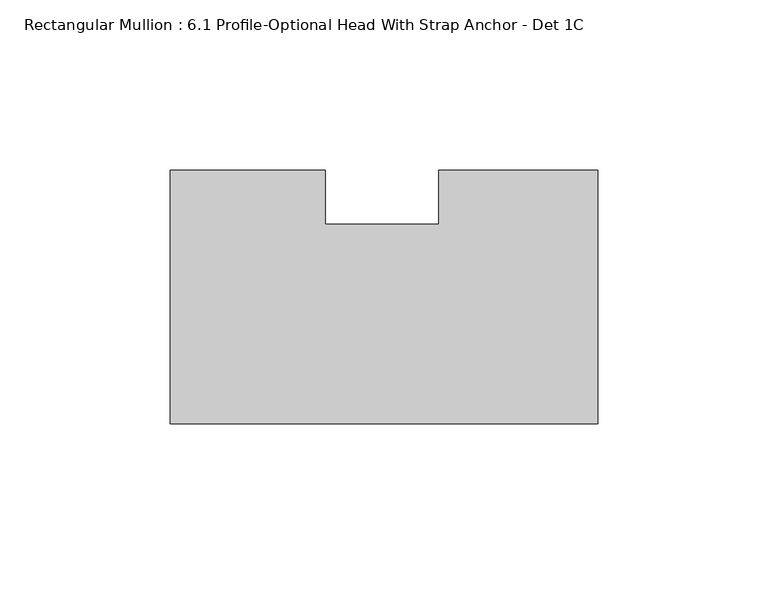
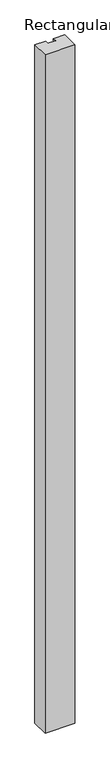
"""IFC4 building model written with IfcOpenShell, lengths in millimetres: member geometry, Rectangular Mullion : 6.1 Profile-Optional Head With Strap Anchor - Det 1C."""

import ifcopenshell
import ifcopenshell.guid

model = None  # the IFC model being written
_history = None  # IfcOwnerHistory: only IFC2X3 demands one
_inside = {}  # id of a spatial element -> (the spatial element, [elements in it])
_under = {}  # id of a project, library or spatial element -> (it, [spatial elements below it])
_declared = {}  # id of a project -> (the project, [libraries it declares])
_typed = {}  # id of a type object -> (the type object, [elements of that type])
_made_of = {}  # id of a material, layer set ... -> (it, [elements and type objects made of it])


def new_model(schema):
    """Start an empty IFC model of exactly this schema.

    Asked for "IFC4X3", IfcOpenShell would pick the latest addendum, in which some entities
    have other attributes; the version numbers below select the first issue.
    IFC2X3 requires an IfcOwnerHistory on every rooted entity: one is made here for all.
    """
    global model, _history
    if schema == "IFC4X3":
        model = ifcopenshell.file(schema_version=(4, 3, 0, 0))
    else:
        model = ifcopenshell.file(schema=schema)
    _inside.clear()
    _under.clear()
    _declared.clear()
    _typed.clear()
    _made_of.clear()
    _history = None
    if model.schema == "IFC2X3":
        org = make("IfcOrganization", Name="unknown")
        user = make(
            "IfcPersonAndOrganization",
            ThePerson=make("IfcPerson", FamilyName="unknown"),
            TheOrganization=org,
        )
        app = make(
            "IfcApplication",
            ApplicationDeveloper=org,
            Version="unknown",
            ApplicationFullName="unknown",
            ApplicationIdentifier="unknown",
        )
        _history = make(
            "IfcOwnerHistory",
            OwningUser=user,
            OwningApplication=app,
            ChangeAction="ADDED",
            CreationDate=0,
        )
    return model


def make(cls, **values):
    """One entity of the class cls with the attributes given. An attribute that is None is left unset."""
    return model.create_entity(
        cls, **{name: value for name, value in values.items() if value is not None}
    )


def rooted(cls, **values):
    """An entity with a GlobalId (a new one), such as an element, a storey or a relation."""
    return make(cls, GlobalId=ifcopenshell.guid.new(), OwnerHistory=_history, **values)


def si_unit(unit_type, name, prefix=None):
    """IfcSIUnit, for example si_unit("LENGTHUNIT", "METRE", prefix="MILLI")."""
    return make("IfcSIUnit", UnitType=unit_type, Prefix=prefix, Name=name)


def assignment(units):
    """IfcUnitAssignment: the units of a project."""
    return None if units is None else make("IfcUnitAssignment", Units=units)


def point(xyz):
    """IfcCartesianPoint."""
    return None if xyz is None else make("IfcCartesianPoint", Coordinates=xyz)


def direction(xyz):
    """IfcDirection."""
    return None if xyz is None else make("IfcDirection", DirectionRatios=xyz)


def frame(location, z_axis=None, x_axis=None):
    """IfcAxis2Placement3D, a coordinate frame: its origin and axes. An axis left out is left unset."""
    return make(
        "IfcAxis2Placement3D",
        Location=point(location),
        Axis=direction(z_axis),
        RefDirection=direction(x_axis),
    )


def origin():
    """The frame at (0, 0, 0) with its axes left unset."""
    return frame((0.0, 0.0, 0.0))


def place(relative_to, where):
    """IfcLocalPlacement: puts the frame where relative to a parent placement (None: the world)."""
    return make(
        "IfcLocalPlacement", PlacementRelTo=relative_to, RelativePlacement=where
    )


def context(
    kind, dimensions, precision=None, world=None, true_north=None, identifier=None
):
    """IfcGeometricRepresentationContext, for example the 3D "Model" context."""
    return make(
        "IfcGeometricRepresentationContext",
        ContextIdentifier=identifier,
        ContextType=kind,
        CoordinateSpaceDimension=dimensions,
        Precision=precision,
        WorldCoordinateSystem=world,
        TrueNorth=true_north,
    )


def project(units=None, contexts=None):
    """IfcProject with its units and contexts."""
    return rooted(
        "IfcProject",
        Name="project",
        RepresentationContexts=contexts,
        UnitsInContext=assignment(units),
    )


def spatial(cls, under=None, at=None, **own):
    """A site, building, storey or space (cls), placed at a placement, below another one or the project."""
    s = rooted(cls, ObjectPlacement=at, **own)
    if under is not None:
        _under.setdefault(under.id(), (under, []))[1].append(s)
    return s


def polyline(points):
    """IfcPolyline through the points."""
    return make("IfcPolyline", Points=[point(p) for p in points])


def outline(outer, holes=None, kind="AREA"):
    """IfcArbitraryClosedProfileDef: a profile drawn as a closed curve; with holes, ...WithVoids."""
    if holes is None:
        return make("IfcArbitraryClosedProfileDef", ProfileType=kind, OuterCurve=outer)
    return make(
        "IfcArbitraryProfileDefWithVoids",
        ProfileType=kind,
        OuterCurve=outer,
        InnerCurves=holes,
    )


def extrude(swept, where, along, depth):
    """IfcExtrudedAreaSolid: the profile swept, set in the frame where, extruded along a direction by depth."""
    return make(
        "IfcExtrudedAreaSolid",
        SweptArea=swept,
        Position=where,
        ExtrudedDirection=direction(along),
        Depth=depth,
    )


def shape(context_of_items, identifier, shape_type, items):
    """IfcShapeRepresentation: the items that make up one representation, for example the "Body"."""
    return make(
        "IfcShapeRepresentation",
        ContextOfItems=context_of_items,
        RepresentationIdentifier=identifier,
        RepresentationType=shape_type,
        Items=items,
    )


def source(mapping_origin, context_of_items, identifier, shape_type, items):
    """IfcRepresentationMap: a shape defined once, which mapped items show again and again."""
    return make(
        "IfcRepresentationMap",
        MappingOrigin=mapping_origin,
        MappedRepresentation=shape(context_of_items, identifier, shape_type, items),
    )


def transform(
    local_origin,
    x_axis=None,
    y_axis=None,
    z_axis=None,
    scale=None,
    scale2=None,
    scale3=None,
    uniform=True,
):
    """IfcCartesianTransformationOperator3D, or its non-uniform kind. x_axis, y_axis, z_axis: its Axis1, 2, 3."""
    if uniform:
        return make(
            "IfcCartesianTransformationOperator3D",
            Axis1=direction(x_axis),
            Axis2=direction(y_axis),
            LocalOrigin=point(local_origin),
            Scale=scale,
            Axis3=direction(z_axis),
        )
    return make(
        "IfcCartesianTransformationOperator3DnonUniform",
        Axis1=direction(x_axis),
        Axis2=direction(y_axis),
        LocalOrigin=point(local_origin),
        Scale=scale,
        Axis3=direction(z_axis),
        Scale2=scale2,
        Scale3=scale3,
    )


def mapped(mapping_source, mapping_target):
    """IfcMappedItem: shows the shape of a source again, moved by a transform."""
    return make(
        "IfcMappedItem", MappingSource=mapping_source, MappingTarget=mapping_target
    )


def made_of(thing, what):
    """Note that an element or type object is made of a material, layer set ...; save() writes the relation."""
    if what is not None:
        _made_of.setdefault(what.id(), (what, []))[1].append(thing)
    return thing


def element(
    cls,
    number,
    at=None,
    inside=None,
    cuts=None,
    type_object=None,
    material=None,
    context=None,
    identifier="Body",
    shape_type=None,
    held_by="IfcProductDefinitionShape",
    body=None,
    shapes=None,
    **own,
):
    """One element of the class cls, such as IfcWall. Its Tag is "e" and its number.

    at: its placement. inside: the storey or other place that contains it. cuts: it is an
    opening in that element (IfcRelVoidsElement). A single representation is given by context,
    identifier, shape_type and body (its items); several are given by shapes. held_by: the class
    of the entity that holds the representations. save() writes the other relations.
    """
    e = rooted(cls, Tag="e%d" % number, ObjectPlacement=at, **own)
    if body is not None:
        shapes = [shape(context, identifier, shape_type, body)]
    if shapes is not None:
        e.Representation = make(held_by, Representations=shapes)
    if inside is not None:
        _inside.setdefault(inside.id(), (inside, []))[1].append(e)
    if cuts is not None:
        rooted(
            "IfcRelVoidsElement", RelatingBuildingElement=cuts, RelatedOpeningElement=e
        )
    if type_object is not None:
        _typed.setdefault(type_object.id(), (type_object, []))[1].append(e)
    return made_of(e, material)


def aggregate(whole, parts):
    """IfcRelAggregates: a whole, such as a stair, and the parts it consists of."""
    return rooted("IfcRelAggregates", RelatingObject=whole, RelatedObjects=parts)


def save(model, path):
    """Write the relations noted so far, then the file.

    IfcRelAggregates (storeys below a building ...), IfcRelContainedInSpatialStructure (elements
    in a storey), IfcRelDefinesByType, IfcRelAssociatesMaterial and IfcRelDeclares: one each for
    every whole, place, type object, material and project.
    """
    for whole, parts in _under.values():
        aggregate(whole, parts)
    for where, things in _inside.values():
        rooted(
            "IfcRelContainedInSpatialStructure",
            RelatedElements=things,
            RelatingStructure=where,
        )
    for kind, things in _typed.values():
        rooted("IfcRelDefinesByType", RelatedObjects=things, RelatingType=kind)
    for what, things in _made_of.values():
        rooted("IfcRelAssociatesMaterial", RelatedObjects=things, RelatingMaterial=what)
    for by, libraries in _declared.values():
        rooted("IfcRelDeclares", RelatingContext=by, RelatedDefinitions=libraries)
    model.write(path)


def rectangular_mullion_6_1_profile_optional_head_with_strap_6331107c(model_context):
    return source(origin(), model_context, "Body", "SweptSolid", [
        extrude(outline(polyline([(-125.7808, -39.6875), (-125.7808, 34.925), (-80.2091346, 34.925), (-80.2091346, 19.05), (-46.8497888, 19.05), (-46.8497888, 34.925), (0.0, 34.925), (0.0, -39.6875), (-125.7808, -39.6875)])), frame((0.0, 0.0, -3048.0), z_axis=(0.0, 0.0, 1.0), x_axis=(1.0, 0.0, 0.0)), (0.0, 0.0, 1.0), 3048.0),
    ])


if __name__ == "__main__":
    model = new_model("IFC4")
    model_context = context("Model", 3, world=origin())
    ifc_project = project(units=[si_unit("LENGTHUNIT", "METRE", prefix="MILLI")], contexts=[model_context])
    site = spatial("IfcSite", under=ifc_project)
    building = spatial("IfcBuilding", under=site)
    placement = place(None, origin())
    rectangular_mullion_6_1_profile_optional_head_with_strap_shape = rectangular_mullion_6_1_profile_optional_head_with_strap_6331107c(model_context)
    element("IfcMember", 1, ObjectType="Rectangular Mullion : 6.1 Profile-Optional Head With Strap Anchor - Det 1C", at=placement, inside=building, context=model_context, shape_type="MappedRepresentation", body=[
        mapped(rectangular_mullion_6_1_profile_optional_head_with_strap_shape, transform((0.0, 0.0, 0.0), x_axis=(1.0, 0.0, 0.0), y_axis=(0.0, 1.0, 0.0), z_axis=(0.0, 0.0, 1.0))),
    ])
    save(model, "model.ifc")
